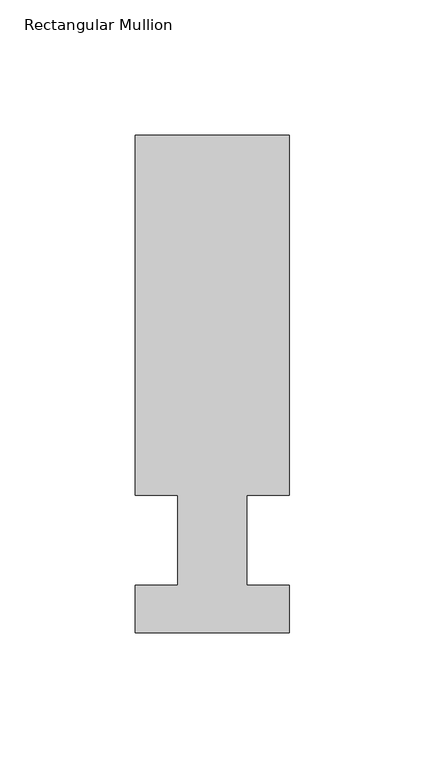
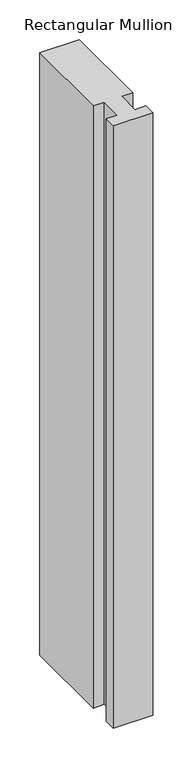
"""IFC4 building model written with IfcOpenShell, lengths in millimetres: member geometry, Rectangular Mullion."""

from ifc_helpers import new_model, si_unit, frame, origin, place, context, project, spatial, polyline, outline, extrude, source, transform, mapped, element, save


def rectangular_mullion_fadfaf5a(model_context):
    return source(origin(), model_context, "Body", "SweptSolid", [
        extrude(outline(polyline([(32.9094027, 150.01875), (32.9094027, 16.66875), (17.0326322, 16.66875), (17.0326322, -16.66875), (32.9094027, -16.66875), (32.9094027, -34.13125), (-24.2405973, -34.13125), (-24.2405973, -16.66875), (-8.3655973, -16.66875), (-8.3655973, 16.66875), (-24.2405973, 16.66875), (-24.2405973, 150.01875), (32.9094027, 150.01875)])), frame((0.0, 0.0, -921.9094027), z_axis=(0.0, 0.0, 1.0), x_axis=(1.0, 0.0, 0.0)), (0.0, 0.0, 1.0), 921.9094027),
    ])


if __name__ == "__main__":
    model = new_model("IFC4")
    model_context = context("Model", 3, world=origin())
    ifc_project = project(units=[si_unit("LENGTHUNIT", "METRE", prefix="MILLI")], contexts=[model_context])
    site = spatial("IfcSite", under=ifc_project)
    building = spatial("IfcBuilding", under=site)
    placement = place(None, origin())
    rectangular_mullion_shape = rectangular_mullion_fadfaf5a(model_context)
    element("IfcMember", 1, ObjectType="Rectangular Mullion", at=placement, inside=building, context=model_context, shape_type="MappedRepresentation", body=[
        mapped(rectangular_mullion_shape, transform((0.0, 0.0, 0.0), x_axis=(1.0, 0.0, 0.0), y_axis=(0.0, 1.0, 0.0), z_axis=(0.0, 0.0, 1.0))),
    ])
    save(model, "model.ifc")
